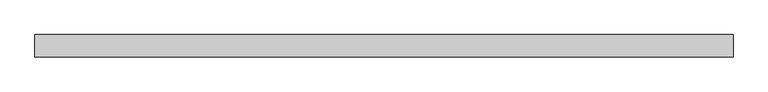
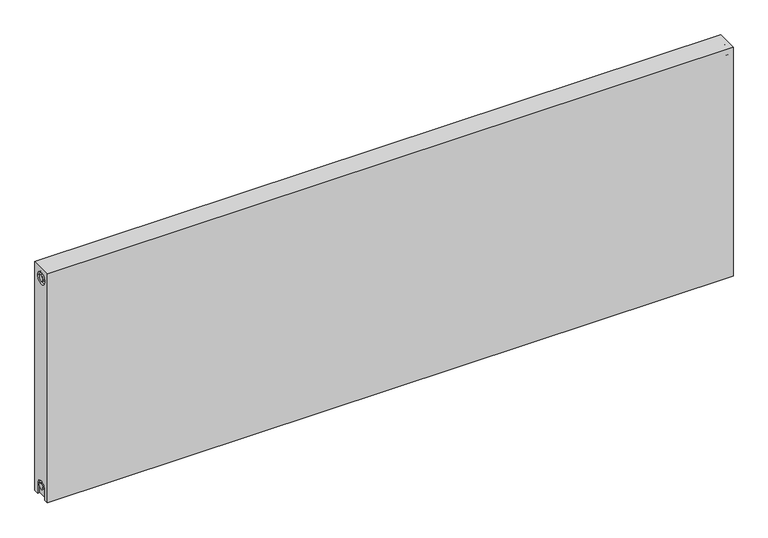
"""IFC4 building model written with IfcOpenShell, lengths in millimetres: proxy geometry."""

from ifc_helpers import new_model, si_unit, frame, origin, place, context, project, spatial, polyline, circle_curve, source, transform, mapped, element, save
from ifc_brep_helpers import plane_surface, cylinder_surface, revolved_surface, advanced_brep


def mechanical_equipment_64f191c6(model_context):
    return source(origin(), model_context, "Body", "AdvancedBrep", [
        advanced_brep(
        [(1700.0, 27.0, 600.0), (1700.0, 27.0, 0.0), (0.0, 27.0, 0.0), (0.0, 27.0, 600.0), (1700.0, -27.0, 600.0), (0.0, -27.0, 600.0), (0.0, -27.0, 0.0), (1700.0, -27.0, 0.0), (1700.0, -15.0, 0.0), (1700.0, -15.0, 27.0), (1700.0, 15.0, 27.0), (1700.0, 15.0, 0.0), (1700.0, 14.7242393, 573.0), (1700.0, -15.2757607, 573.0), (1700.0, -7.5, 27.0), (1700.0, 7.5, 27.0), (1700.0, 7.2242393, 573.0), (1700.0, -7.7757607, 573.0), (1695.0, 15.0, 0.0), (1695.0, -15.0, 0.0), (0.0, -15.0, 0.0), (5.0, -15.0, 0.0), (5.0, 15.0, 0.0), (0.0, 15.0, 0.0), (0.0, 15.0, 27.0), (0.0, -15.0, 27.0), (0.0, -15.2757607, 573.0), (0.0, 14.7242393, 573.0), (0.0, -7.7757607, 573.0), (0.0, 7.2242393, 573.0), (0.0, 7.5, 27.0), (0.0, -7.5, 27.0), (5.0, -15.2757607, 573.0), (5.0, 14.7242393, 573.0), (5.0, -7.7757607, 573.0), (5.0, 7.2242393, 573.0), (5.0, -15.0, 27.0), (5.0, 15.0, 27.0), (5.0, -7.5, 27.0), (5.0, 7.5, 27.0), (1695.0, 15.0, 27.0), (1695.0, -15.0, 27.0), (1695.0, -7.5, 27.0), (1695.0, 7.5, 27.0), (1695.0, -15.2757607, 573.0), (1695.0, 14.7242393, 573.0), (1695.0, -7.7757607, 573.0), (1695.0, 7.2242393, 573.0)],
        [
            (0, 1),
            (1, 2),
            (2, 3),
            (3, 0),
            (4, 5),
            (5, 6),
            (6, 7),
            (7, 4),
            (0, 4),
            (7, 8),
            (8, 9),
            (9, 10, circle_curve(frame((1700.0, 0.0, 27.0), z_axis=(-1.0, 0.0, 0.0), x_axis=(0.0, 1.0, 0.0)), 15.0)),
            (10, 11),
            (11, 1),
            (12, 13, circle_curve(frame((1700.0, -0.2757607, 573.0), z_axis=(-1.0, 0.0, 0.0), x_axis=(0.0, 1.0, 0.0)), 15.0)),
            (13, 12, circle_curve(frame((1700.0, -0.2757607, 573.0), z_axis=(-1.0, 0.0, 0.0), x_axis=(0.0, 1.0, 0.0)), 15.0)),
            (14, 15, circle_curve(frame((1700.0, 0.0, 27.0), z_axis=(1.0, 0.0, 0.0), x_axis=(0.0, 1.0, 0.0)), 7.5)),
            (15, 14, circle_curve(frame((1700.0, 0.0, 27.0), z_axis=(1.0, 0.0, 0.0), x_axis=(0.0, 1.0, 0.0)), 7.5)),
            (16, 17, circle_curve(frame((1700.0, -0.2757607, 573.0), z_axis=(1.0, 0.0, 0.0), x_axis=(0.0, 1.0, 0.0)), 7.5)),
            (17, 16, circle_curve(frame((1700.0, -0.2757607, 573.0), z_axis=(1.0, 0.0, 0.0), x_axis=(0.0, 1.0, 0.0)), 7.5)),
            (11, 18),
            (18, 19),
            (19, 8),
            (6, 20),
            (20, 21),
            (21, 22),
            (22, 23),
            (23, 2),
            (23, 24),
            (24, 25, circle_curve(frame((0.0, 0.0, 27.0), z_axis=(1.0, 0.0, 0.0), x_axis=(0.0, 1.0, 0.0)), 15.0)),
            (25, 20),
            (5, 3),
            (26, 27, circle_curve(frame((0.0, -0.2757607, 573.0), z_axis=(1.0, 0.0, 0.0), x_axis=(0.0, 1.0, 0.0)), 15.0)),
            (27, 26, circle_curve(frame((0.0, -0.2757607, 573.0), z_axis=(1.0, 0.0, 0.0), x_axis=(0.0, 1.0, 0.0)), 15.0)),
            (28, 29, circle_curve(frame((0.0, -0.2757607, 573.0), z_axis=(-1.0, 0.0, 0.0), x_axis=(0.0, 1.0, 0.0)), 7.5)),
            (29, 28, circle_curve(frame((0.0, -0.2757607, 573.0), z_axis=(-1.0, 0.0, 0.0), x_axis=(0.0, 1.0, 0.0)), 7.5)),
            (30, 31, circle_curve(frame((0.0, 0.0, 27.0), z_axis=(-1.0, 0.0, 0.0), x_axis=(0.0, 1.0, 0.0)), 7.5)),
            (31, 30, circle_curve(frame((0.0, 0.0, 27.0), z_axis=(-1.0, 0.0, 0.0), x_axis=(0.0, 1.0, 0.0)), 7.5)),
            (32, 33, circle_curve(frame((5.0, -0.2757607, 573.0), z_axis=(-1.0, 0.0, 0.0), x_axis=(0.0, 1.0, 0.0)), 15.0)),
            (33, 32, circle_curve(frame((5.0, -0.2757607, 573.0), z_axis=(-1.0, 0.0, 0.0), x_axis=(0.0, 1.0, 0.0)), 15.0)),
            (34, 35, circle_curve(frame((5.0, -0.2757607, 573.0), z_axis=(1.0, 0.0, 0.0), x_axis=(0.0, 1.0, 0.0)), 7.5)),
            (35, 34, circle_curve(frame((5.0, -0.2757607, 573.0), z_axis=(1.0, 0.0, 0.0), x_axis=(0.0, 1.0, 0.0)), 7.5)),
            (33, 27),
            (26, 32),
            (35, 29),
            (28, 34),
            (21, 36),
            (36, 37, circle_curve(frame((5.0, 0.0, 27.0), z_axis=(-1.0, 0.0, 0.0), x_axis=(0.0, 1.0, 0.0)), 15.0)),
            (37, 22),
            (38, 39, circle_curve(frame((5.0, 0.0, 27.0), z_axis=(1.0, 0.0, 0.0), x_axis=(0.0, 1.0, 0.0)), 7.5)),
            (39, 38, circle_curve(frame((5.0, 0.0, 27.0), z_axis=(1.0, 0.0, 0.0), x_axis=(0.0, 1.0, 0.0)), 7.5)),
            (38, 31),
            (30, 39),
            (37, 24),
            (36, 25),
            (18, 40),
            (40, 41, circle_curve(frame((1695.0, 0.0, 27.0), z_axis=(1.0, 0.0, 0.0), x_axis=(0.0, 1.0, 0.0)), 15.0)),
            (41, 19),
            (42, 43, circle_curve(frame((1695.0, 0.0, 27.0), z_axis=(-1.0, 0.0, 0.0), x_axis=(0.0, 1.0, 0.0)), 7.5)),
            (43, 42, circle_curve(frame((1695.0, 0.0, 27.0), z_axis=(-1.0, 0.0, 0.0), x_axis=(0.0, 1.0, 0.0)), 7.5)),
            (43, 15),
            (14, 42),
            (10, 40),
            (9, 41),
            (44, 45, circle_curve(frame((1695.0, -0.2757607, 573.0), z_axis=(1.0, 0.0, 0.0), x_axis=(0.0, 1.0, 0.0)), 15.0)),
            (45, 44, circle_curve(frame((1695.0, -0.2757607, 573.0), z_axis=(1.0, 0.0, 0.0), x_axis=(0.0, 1.0, 0.0)), 15.0)),
            (46, 47, circle_curve(frame((1695.0, -0.2757607, 573.0), z_axis=(-1.0, 0.0, 0.0), x_axis=(0.0, 1.0, 0.0)), 7.5)),
            (47, 46, circle_curve(frame((1695.0, -0.2757607, 573.0), z_axis=(-1.0, 0.0, 0.0), x_axis=(0.0, 1.0, 0.0)), 7.5)),
            (44, 13),
            (12, 45),
            (46, 17),
            (16, 47),
        ],
        [
            plane_surface(frame((1700.0, 27.0, 600.0), z_axis=(0.0, 1.0, 0.0), x_axis=(0.0, 0.0, -1.0))),
            plane_surface(frame((1700.0, -27.0, 600.0), z_axis=(0.0, -1.0, 0.0), x_axis=(0.0, 0.0, 1.0))),
            plane_surface(frame((1700.0, 27.0, 600.0), z_axis=(1.0, 0.0, 0.0), x_axis=(0.0, -1.0, 0.0))),
            plane_surface(frame((1700.0, 27.0, 0.0), z_axis=(0.0, 0.0, -1.0), x_axis=(0.0, -1.0, 0.0))),
            plane_surface(frame((0.0, 27.0, 0.0), z_axis=(-1.0, 0.0, 0.0), x_axis=(0.0, -1.0, 0.0))),
            plane_surface(frame((0.0, 27.0, 600.0), z_axis=(0.0, 0.0, 1.0), x_axis=(0.0, -1.0, 0.0))),
            plane_surface(frame((5.0, 14.7242393, 573.0), z_axis=(-1.0, 0.0, 0.0), x_axis=(0.0, 0.0, 1.0))),
            revolved_surface(polyline([(5.0, 14.7242393, 573.0), (0.0, 14.7242393, 573.0)]), (0.0, -0.2757607, 573.0), (1.0, 0.0, 0.0)),
            cylinder_surface(frame((0.0, -0.2757607, 573.0), z_axis=(-1.0, 0.0, 0.0), x_axis=(0.0, 1.0, 0.0)), 7.5),
            plane_surface(frame((5.0, 7.5, 27.0), z_axis=(-1.0, 0.0, 0.0), x_axis=(0.0, 0.0, -1.0))),
            cylinder_surface(frame((0.0, 0.0, 27.0), z_axis=(-1.0, 0.0, 0.0), x_axis=(0.0, 1.0, 0.0)), 7.5),
            plane_surface(frame((5.0, 15.0, 0.0), z_axis=(0.0, -1.0, 0.0), x_axis=(-1.0, 0.0, 0.0))),
            revolved_surface(polyline([(5.0, 15.0, 27.0), (0.0, 15.0, 27.0)]), (0.0, 0.0, 27.0), (1.0, 0.0, 0.0)),
            plane_surface(frame((5.0, -15.0, 27.0), z_axis=(0.0, 1.0, 0.0), x_axis=(-1.0, 0.0, 0.0))),
            plane_surface(frame((1695.0, 7.5, 27.0), z_axis=(1.0, 0.0, 0.0), x_axis=(0.0, 0.0, 1.0))),
            cylinder_surface(frame((1695.0, 0.0, 27.0), z_axis=(-1.0, 0.0, 0.0), x_axis=(0.0, 1.0, 0.0)), 7.5),
            plane_surface(frame((1700.0, 15.0, 0.0), z_axis=(0.0, -1.0, 0.0), x_axis=(-1.0, 0.0, 0.0))),
            revolved_surface(polyline([(1700.0, 15.0, 27.0), (1695.0, 15.0, 27.0)]), (895.0, 0.0, 27.0), (1.0, 0.0, 0.0)),
            plane_surface(frame((1700.0, -15.0, 27.0), z_axis=(0.0, 1.0, 0.0), x_axis=(-1.0, 0.0, 0.0))),
            plane_surface(frame((1695.0, 14.7242393, 573.0), z_axis=(1.0, 0.0, 0.0), x_axis=(0.0, 0.0, -1.0))),
            revolved_surface(polyline([(1700.0, 14.7242393, 573.0), (1695.0, 14.7242393, 573.0)]), (1695.0, -0.2757607, 573.0), (1.0, 0.0, 0.0)),
            cylinder_surface(frame((895.0, -0.2757607, 573.0), z_axis=(-1.0, 0.0, 0.0), x_axis=(0.0, 1.0, 0.0)), 7.5),
        ],
        [
            (0, [[1, 2, 3, 4]]),
            (1, [[5, 6, 7, 8]]),
            (2, [[-1, 9, -8, 10, 11, 12, 13, 14], [15, 16]]),
            (2, [[17, 18]]),
            (2, [[19, 20]]),
            (3, [[-2, -14, 21, 22, 23, -10, -7, 24, 25, 26, 27, 28]]),
            (4, [[-3, -28, 29, 30, 31, -24, -6, 32], [33, 34]]),
            (4, [[35, 36]]),
            (4, [[37, 38]]),
            (5, [[-4, -32, -5, -9]]),
            (6, [[39, 40], [41, 42]]),
            (7, [[-40, 43, -33, 44]]),
            (7, [[-39, -44, -34, -43]]),
            (8, [[-42, 45, -35, 46]]),
            (8, [[-41, -46, -36, -45]]),
            (9, [[47, 48, 49, -26], [50, 51]]),
            (10, [[-50, 52, -37, 53]]),
            (10, [[-51, -53, -38, -52]]),
            (11, [[-49, 54, -29, -27]]),
            (12, [[-48, 55, -30, -54]]),
            (13, [[-47, -25, -31, -55]]),
            (14, [[56, 57, 58, -22], [59, 60]]),
            (15, [[-60, 61, -17, 62]]),
            (15, [[-59, -62, -18, -61]]),
            (16, [[-56, -21, -13, 63]]),
            (17, [[-57, -63, -12, 64]]),
            (18, [[-58, -64, -11, -23]]),
            (19, [[65, 66], [67, 68]]),
            (20, [[-65, 69, -15, 70]]),
            (20, [[-66, -70, -16, -69]]),
            (21, [[-67, 71, -19, 72]]),
            (21, [[-68, -72, -20, -71]]),
        ],
    ),
    ])


if __name__ == "__main__":
    model = new_model("IFC4")
    model_context = context("Model", 3, world=origin())
    ifc_project = project(units=[si_unit("LENGTHUNIT", "METRE", prefix="MILLI")], contexts=[model_context])
    site = spatial("IfcSite", under=ifc_project)
    building = spatial("IfcBuilding", under=site)
    placement = place(None, origin())
    mechanical_equipment_shape = mechanical_equipment_64f191c6(model_context)
    element("IfcBuildingElementProxy", 1, Name="Mechanical Equipment", at=placement, inside=building, context=model_context, shape_type="MappedRepresentation", body=[
        mapped(mechanical_equipment_shape, transform((0.0, 0.0, 0.0), x_axis=(1.0, 0.0, 0.0), y_axis=(0.0, 1.0, 0.0), z_axis=(0.0, 0.0, 1.0))),
    ])
    save(model, "model.ifc")
